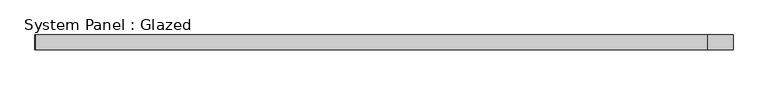
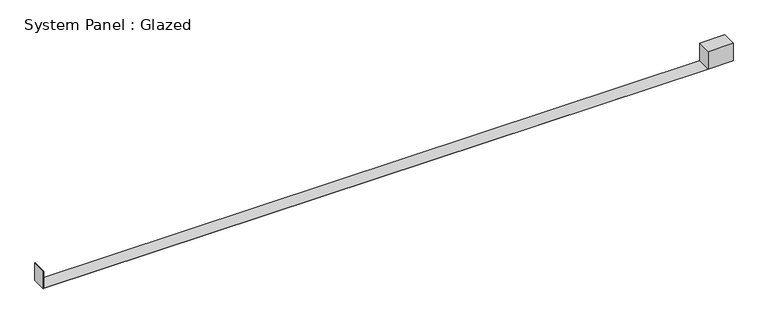
"""IFC4 building model written with IfcOpenShell, lengths in millimetres: plate geometry, System Panel : Glazed."""

from ifc_helpers import new_model, si_unit, frame, origin, place, context, project, spatial, polyline, outline, extrude, source, transform, mapped, element, save


def system_panel_glazed_c7062117(model_context):
    return source(origin(), model_context, "Body", "SweptSolid", [
        extrude(outline(polyline([(0.0, -595.3125), (0.0, -594.51875), (0.0, 552.1670485), (0.0, 595.3125), (31.7415594, 595.3125), (31.7415594, 552.1670485), (0.0042594, 552.1670485), (0.0042594, -594.51875), (31.7415594, -594.51875), (31.7415594, -595.3125), (0.0, -595.3125)])), frame((0.0, -12.7, 0.0), z_axis=(0.0, 1.0, 0.0), x_axis=(0.0, 0.0, 1.0)), (0.0, 0.0, 1.0), 25.4),
    ])


if __name__ == "__main__":
    model = new_model("IFC4")
    model_context = context("Model", 3, world=origin())
    ifc_project = project(units=[si_unit("LENGTHUNIT", "METRE", prefix="MILLI")], contexts=[model_context])
    site = spatial("IfcSite", under=ifc_project)
    building = spatial("IfcBuilding", under=site)
    placement = place(None, origin())
    system_panel_glazed_shape = system_panel_glazed_c7062117(model_context)
    element("IfcPlate", 1, ObjectType="System Panel : Glazed", at=placement, inside=building, context=model_context, shape_type="MappedRepresentation", body=[
        mapped(system_panel_glazed_shape, transform((0.0, 0.0, 0.0), x_axis=(1.0, 0.0, 0.0), y_axis=(0.0, 1.0, 0.0), z_axis=(0.0, 0.0, 1.0))),
    ])
    save(model, "model.ifc")
